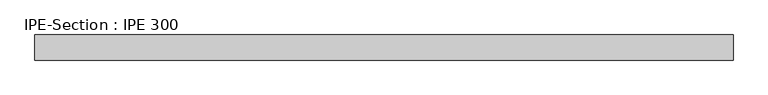
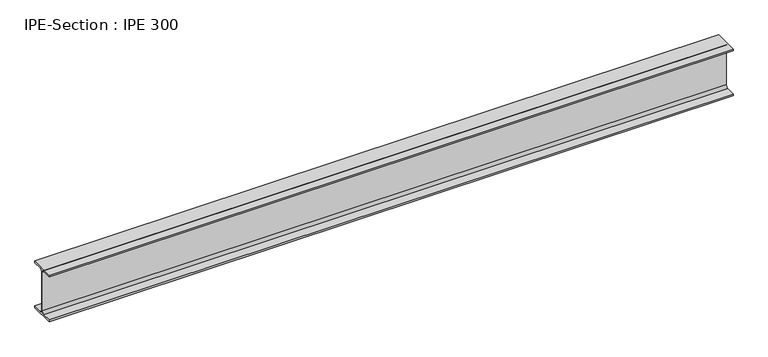
"""IFC4 building model written with IfcOpenShell, lengths in millimetres: beam geometry, IPE-Section : IPE 300."""

from ifc_helpers import new_model, si_unit, point, frame, frame_2d, origin, place, context, project, spatial, polyline, circle_curve, trimmed, segment, composite_curve, outline, extrude, source, transform, mapped, element, save


def ipe_section_ipe_300_ce413382(model_context):
    return source(origin(), model_context, "Body", "SweptSolid", [
        extrude(outline(composite_curve([segment(polyline([(-75.0, -139.3), (-18.55, -139.3)]), True, "CONTINUOUS"), segment(trimmed(circle_curve(frame_2d((-18.55, -124.3)), 15.0), [point((-18.55, -139.3))], [point((-3.55, -124.3))], True, "CARTESIAN"), True, "CONTINUOUS"), segment(polyline([(-3.55, -124.3), (-3.55, 124.3)]), True, "CONTINUOUS"), segment(trimmed(circle_curve(frame_2d((-18.55, 124.3)), 15.0), [point((-3.55, 124.3))], [point((-18.55, 139.3))], True, "CARTESIAN"), True, "CONTINUOUS"), segment(polyline([(-18.55, 139.3), (-75.0, 139.3), (-75.0, 150.0), (75.0, 150.0), (75.0, 139.3), (18.55, 139.3)]), True, "CONTINUOUS"), segment(trimmed(circle_curve(frame_2d((18.55, 124.3)), 15.0), [point((18.55, 139.3))], [point((3.55, 124.3))], True, "CARTESIAN"), True, "CONTINUOUS"), segment(polyline([(3.55, 124.3), (3.55, -124.3)]), True, "CONTINUOUS"), segment(trimmed(circle_curve(frame_2d((18.55, -124.3)), 15.0), [point((3.55, -124.3))], [point((18.55, -139.3))], True, "CARTESIAN"), True, "CONTINUOUS"), segment(polyline([(18.55, -139.3), (75.0, -139.3), (75.0, -150.0), (-75.0, -150.0), (-75.0, -139.3)]), True, "CONTINUOUS")], self_intersect=False)), frame((-2075.2166661, 0.0, 0.0), z_axis=(1.0, 0.0, 0.0), x_axis=(0.0, 1.0, 0.0)), (0.0, 0.0, 1.0), 4163.1333327),
    ])


if __name__ == "__main__":
    model = new_model("IFC4")
    model_context = context("Model", 3, world=origin())
    ifc_project = project(units=[si_unit("LENGTHUNIT", "METRE", prefix="MILLI")], contexts=[model_context])
    site = spatial("IfcSite", under=ifc_project)
    building = spatial("IfcBuilding", under=site)
    placement = place(None, origin())
    ipe_section_ipe_300_shape = ipe_section_ipe_300_ce413382(model_context)
    element("IfcBeam", 1, ObjectType="IPE-Section : IPE 300", at=placement, inside=building, context=model_context, shape_type="MappedRepresentation", body=[
        mapped(ipe_section_ipe_300_shape, transform((0.0, 0.0, 0.0), x_axis=(1.0, 0.0, 0.0), y_axis=(0.0, 1.0, 0.0), z_axis=(0.0, 0.0, 1.0))),
    ])
    save(model, "model.ifc")
